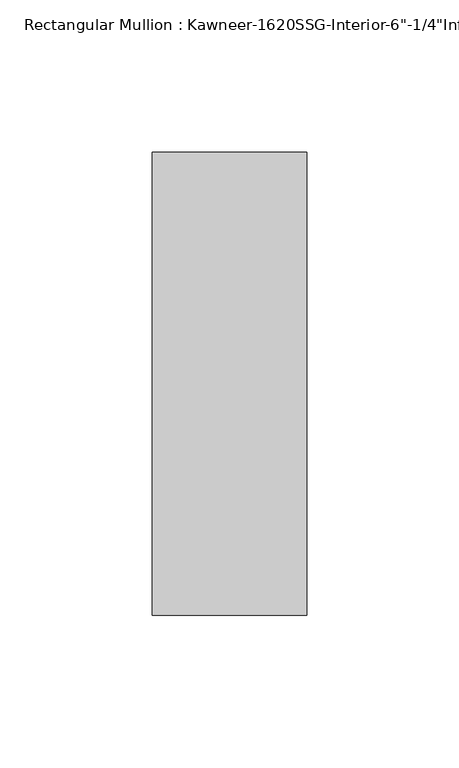
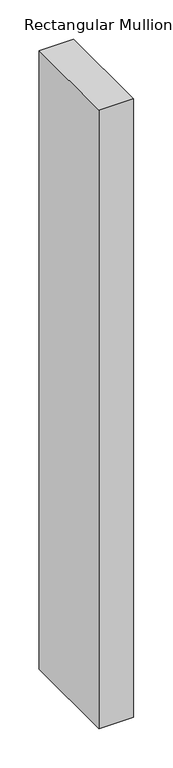
"""IFC4 building model written with IfcOpenShell, lengths in millimetres: member geometry."""

from ifc_helpers import new_model, si_unit, frame, origin, place, context, project, spatial, polyline, outline, extrude, source, transform, mapped, element, save


def member_337de1e8(model_context):
    return source(origin(), model_context, "Body", "SweptSolid", [
        extrude(outline(polyline([(25.4, -123.825), (-25.4, -123.825), (-25.4, 28.575), (25.4, 28.575), (25.4, -123.825)])), frame((0.0, 0.0, -958.85), z_axis=(0.0, 0.0, 1.0), x_axis=(1.0, 0.0, 0.0)), (0.0, 0.0, 1.0), 958.85),
    ])


if __name__ == "__main__":
    model = new_model("IFC4")
    model_context = context("Model", 3, world=origin())
    ifc_project = project(units=[si_unit("LENGTHUNIT", "METRE", prefix="MILLI")], contexts=[model_context])
    site = spatial("IfcSite", under=ifc_project)
    building = spatial("IfcBuilding", under=site)
    placement = place(None, origin())
    member_shape = member_337de1e8(model_context)
    element("IfcMember", 1, ObjectType="Rectangular Mullion : Kawneer-1620SSG-Interior-6\"-1/4\"Infill", at=placement, inside=building, context=model_context, shape_type="MappedRepresentation", body=[
        mapped(member_shape, transform((0.0, 0.0, 0.0), x_axis=(1.0, 0.0, 0.0), y_axis=(0.0, 1.0, 0.0), z_axis=(0.0, 0.0, 1.0))),
    ])
    save(model, "model.ifc")
